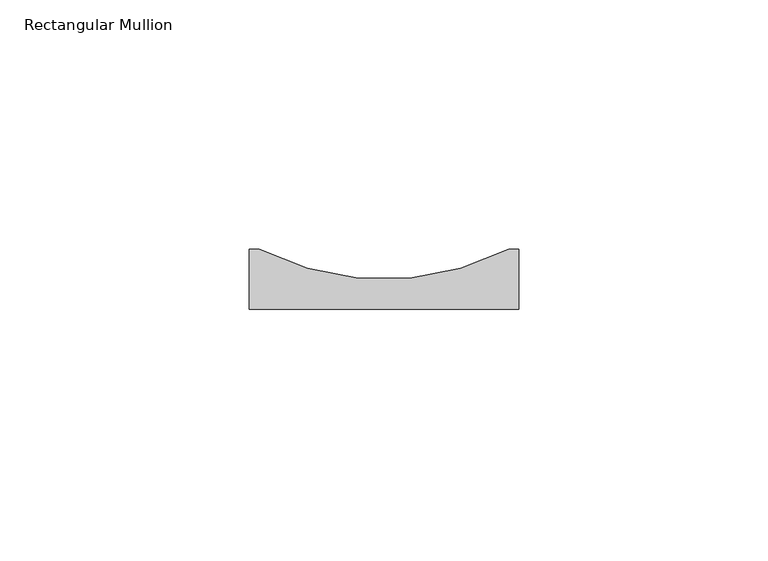
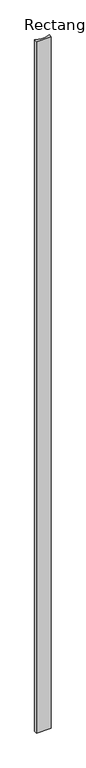
"""IFC4 building model written with IfcOpenShell, lengths in millimetres: member geometry, Rectangular Mullion."""

from ifc_helpers import new_model, si_unit, point, frame, frame_2d, origin, place, context, project, spatial, polyline, circle_curve, trimmed, segment, composite_curve, outline, extrude, source, transform, mapped, element, save


def rectangular_mullion_fb70d347(model_context):
    return source(origin(), model_context, "Body", "SweptSolid", [
        extrude(outline(composite_curve([segment(polyline([(-27.0, 12.0), (-25.0, 12.0)]), True, "CONTINUOUS"), segment(trimmed(circle_curve(frame_2d((0.0, 61.0833333)), 55.0833333), [point((-25.0, 12.0))], [point((25.0, 12.0))], True, "CARTESIAN"), True, "CONTINUOUS"), segment(polyline([(25.0, 12.0), (27.0, 12.0), (27.0, 0.0), (-27.0, 0.0), (-27.0, 12.0)]), True, "CONTINUOUS")], self_intersect=False)), frame((0.0, 0.0, -2700.0), z_axis=(0.0, 0.0, 1.0), x_axis=(1.0, 0.0, 0.0)), (0.0, 0.0, 1.0), 2700.0),
    ])


if __name__ == "__main__":
    model = new_model("IFC4")
    model_context = context("Model", 3, world=origin())
    ifc_project = project(units=[si_unit("LENGTHUNIT", "METRE", prefix="MILLI")], contexts=[model_context])
    site = spatial("IfcSite", under=ifc_project)
    building = spatial("IfcBuilding", under=site)
    placement = place(None, origin())
    rectangular_mullion_shape = rectangular_mullion_fb70d347(model_context)
    element("IfcMember", 1, ObjectType="Rectangular Mullion", at=placement, inside=building, context=model_context, shape_type="MappedRepresentation", body=[
        mapped(rectangular_mullion_shape, transform((0.0, 0.0, 0.0), x_axis=(1.0, 0.0, 0.0), y_axis=(0.0, 1.0, 0.0), z_axis=(0.0, 0.0, 1.0))),
    ])
    save(model, "model.ifc")
